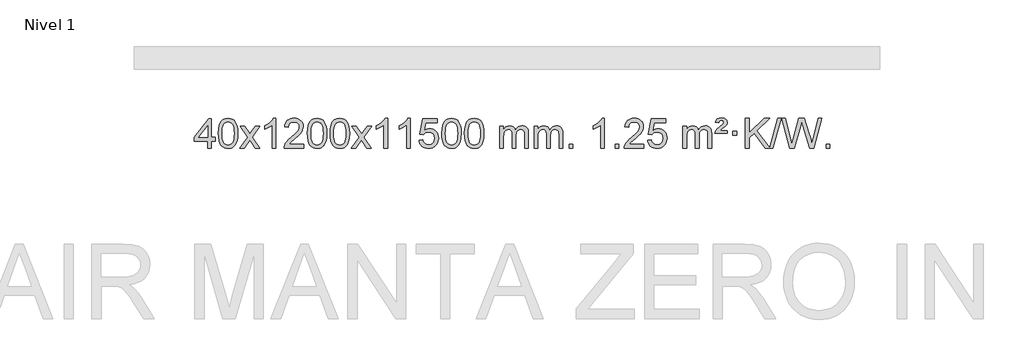
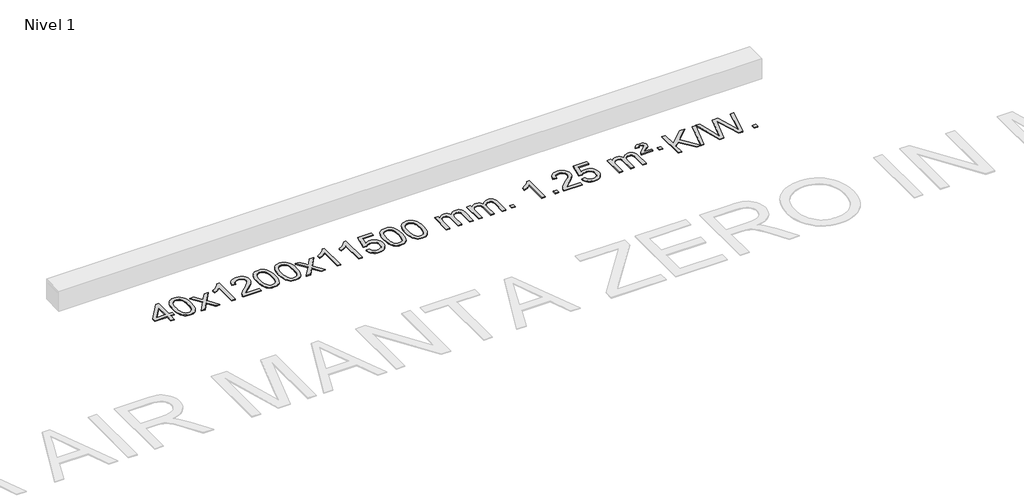
# One storey, part 2 of 3: 1 proxy.
"""IFC4 building model written with IfcOpenShell, lengths in millimetres."""

from ifc_helpers import new_model, si_unit, origin, origin_with_axes, place, context, project, spatial, polyline, outline, extrude, element, save

model = new_model("IFC4")

# Units and contexts
model_context = context("Model", 3, world=origin())
ifc_project = project(units=[si_unit("LENGTHUNIT", "METRE", prefix="MILLI")], contexts=[model_context])

# Site, building, storey
site = spatial("IfcSite", under=ifc_project)
building = spatial("IfcBuilding", under=site)
storey = spatial("IfcBuildingStorey", under=building, Name="Nivel 1", Elevation=0.0)

# Proxy
placement = place(None, origin())
element("IfcBuildingElementProxy", 1, Name="Texto de modelo 1", ObjectType="Texto de modelo 1", at=placement, inside=storey, context=model_context, shape_type="SweptSolid", body=[
    extrude(outline(polyline([(-19001.7254597, -1016.3248037), (-19001.7254597, -922.1470129), (-19183.8025218, -922.1470129), (-19183.8025218, -871.9188579), (-18989.1684209, -620.7780825), (-18951.4973046, -620.7780825), (-18951.4973046, -871.9188579), (-18901.2691495, -871.9188579), (-18901.2691495, -922.1470129), (-18951.4973046, -922.1470129), (-18951.4973046, -1016.3248037), (-19001.7254597, -1016.3248037)]), holes=[polyline([(-19001.7254597, -871.9188579), (-19001.7254597, -716.7217068), (-19121.9983466, -871.9188579), (-19001.7254597, -871.9188579)])]), origin_with_axes(), (0.0, 0.0, 1.0), 10.0),
    extrude(outline(polyline([(-18857.3195138, -818.649545), (-18853.6284312, -754.3315095), (-18842.5551831, -703.0364966), (-18824.2101343, -663.9796914), (-18812.3520713, -648.7463112), (-18798.7036493, -636.3762791), (-18783.218883, -626.8052158), (-18765.8517871, -619.9687421), (-18725.4706068, -614.4995631), (-18694.5194682, -617.7369247), (-18666.8056913, -627.4490093), (-18643.6291256, -643.2556724), (-18626.2896209, -664.7767691), (-18613.1930218, -691.8283585), (-18602.7451732, -724.2264995), (-18595.9025681, -765.3679693), (-18593.6216997, -818.649545), (-18597.2759942, -882.5996984), (-18608.2388776, -933.772084), (-18626.4735619, -972.8656773), (-18638.3040337, -988.1450429), (-18651.9432587, -1000.5794543), (-18667.4464191, -1010.2148969), (-18684.8686972, -1017.0973559), (-18725.4706068, -1022.6033231), (-18753.1353328, -1020.2120901), (-18777.6607992, -1013.0383912), (-18799.0470058, -1001.0822264), (-18817.2939528, -984.3435956), (-18834.8051357, -954.0853015), (-18847.3131236, -916.3835283), (-18854.8179163, -871.2382762), (-18857.3195138, -818.649545)]), holes=[polyline([(-18807.0913588, -818.5514431), (-18805.6198308, -862.2159702), (-18801.2052468, -897.5602329), (-18793.8476069, -924.5842311), (-18783.5469111, -943.2879649), (-18771.0879742, -956.0136163), (-18757.2556112, -965.1033672), (-18742.049822, -970.5572178), (-18725.4706068, -972.375168), (-18708.8913915, -970.5510864), (-18693.6856024, -965.0788418), (-18679.8532394, -955.958434), (-18667.3943025, -943.1898631), (-18657.0936066, -924.4554724), (-18649.7359667, -897.4376056), (-18645.3213828, -862.1362625), (-18643.8498548, -818.5514431), (-18645.2723318, -776.0426785), (-18649.539763, -741.3207496), (-18656.6521482, -714.3856562), (-18666.6094875, -695.2373983), (-18678.859958, -681.8894132), (-18692.8517365, -672.3551382), (-18708.5848232, -666.6345732), (-18726.059218, -664.7277182), (-18742.5525941, -666.4077126), (-18757.5008658, -671.4476959), (-18770.9040332, -679.8476682), (-18782.7620962, -691.6076293), (-18793.4061486, -712.4542757), (-18801.0090431, -740.5604601), (-18805.5707799, -775.9261826), (-18807.0913588, -818.5514431)])]), origin_with_axes(), (0.0, 0.0, 1.0), 10.0),
    extrude(outline(polyline([(-18568.5076222, -1016.3248037), (-18461.1841814, -867.9947832), (-18562.2291028, -721.2343926), (-18501.7983537, -721.2343926), (-18453.0417266, -791.8677357), (-18430.2820938, -825.2223699), (-18410.5636189, -797.9500514), (-18355.0379631, -721.2343926), (-18294.607214, -721.2343926), (-18400.7534324, -867.9947832), (-18298.5312886, -1016.3248037), (-18358.9620377, -1016.3248037), (-18420.4719073, -927.1502081), (-18431.7536218, -910.8652984), (-18508.0768731, -1016.3248037), (-18568.5076222, -1016.3248037)])), origin_with_axes(), (0.0, 0.0, 1.0), 10.0),
    extrude(outline(polyline([(-18078.7831102, -1016.3248037), (-18129.0112653, -1016.3248037), (-18129.0112653, -703.1836494), (-18149.980539, -720.1430094), (-18176.59067, -737.0778439), (-18229.4675754, -762.4371761), (-18229.4675754, -714.9558732), (-18190.0183628, -693.4960902), (-18155.8421254, -667.9650797), (-18128.9009007, -640.8153885), (-18111.1567258, -614.4995631), (-18078.7831102, -614.4995631), (-18078.7831102, -1016.3248037)])), origin_with_axes(), (0.0, 0.0, 1.0), 10.0),
    extrude(outline(polyline([(-17702.0719471, -966.0966486), (-17702.0719471, -1016.3248037), (-17965.7697613, -1016.3248037), (-17964.6661153, -998.6419425), (-17960.3741587, -981.6948452), (-17947.9887982, -954.6309931), (-17929.8644785, -928.3764814), (-17903.646755, -900.8956963), (-17866.9811828, -870.1530243), (-17812.7799022, -822.0095338), (-17780.2591338, -786.4721331), (-17763.9987496, -757.6301847), (-17758.5786216, -729.5730512), (-17763.6921813, -704.4221855), (-17779.0328605, -683.5142254), (-17802.6140964, -669.424345), (-17832.4493262, -664.7277182), (-17863.7806095, -669.3139804), (-17888.1221348, -683.072767), (-17903.830696, -704.9249575), (-17909.2630868, -733.7914314), (-17959.4912419, -727.512912), (-17955.1716941, -701.5833627), (-17947.3143478, -678.9279632), (-17935.919203, -659.5467134), (-17920.9862597, -643.4396134), (-17902.8588744, -630.7783414), (-17881.8804036, -621.7345757), (-17858.0508474, -616.3083162), (-17831.3702057, -614.4995631), (-17804.4504407, -616.5106513), (-17780.4921258, -622.5439161), (-17759.4952609, -632.5993573), (-17741.4598461, -646.6769749), (-17726.9744925, -663.7344368), (-17716.6278114, -682.7294105), (-17710.4198027, -703.661896), (-17708.3504665, -726.5318934), (-17710.5822839, -750.5545876), (-17717.2777363, -774.160349), (-17729.1603247, -798.1707806), (-17746.9535505, -823.4074854), (-17775.3172524, -853.5370208), (-17818.9112688, -892.225944), (-17876.6932675, -940.5411127), (-17899.3547984, -966.0966486), (-17702.0719471, -966.0966486)])), origin_with_axes(), (0.0, 0.0, 1.0), 10.0),
    extrude(outline(polyline([(-17651.8437921, -818.649545), (-17648.1527094, -754.3315095), (-17637.0794613, -703.0364966), (-17618.7344125, -663.9796914), (-17606.8763495, -648.7463112), (-17593.2279275, -636.3762791), (-17577.7431612, -626.8052158), (-17560.3760653, -619.9687421), (-17519.994885, -614.4995631), (-17489.0437465, -617.7369247), (-17461.3299695, -627.4490093), (-17438.1534038, -643.2556724), (-17420.8138991, -664.7767691), (-17407.7173001, -691.8283585), (-17397.2694514, -724.2264995), (-17390.4268463, -765.3679693), (-17388.1459779, -818.649545), (-17391.8002724, -882.5996984), (-17402.7631558, -933.772084), (-17420.9978401, -972.8656773), (-17432.8283119, -988.1450429), (-17446.4675369, -1000.5794543), (-17461.9706973, -1010.2148969), (-17479.3929754, -1017.0973559), (-17519.994885, -1022.6033231), (-17547.659611, -1020.2120901), (-17572.1850774, -1013.0383912), (-17593.571284, -1001.0822264), (-17611.818231, -984.3435956), (-17629.3294139, -954.0853015), (-17641.8374018, -916.3835283), (-17649.3421945, -871.2382762), (-17651.8437921, -818.649545)]), holes=[polyline([(-17601.615637, -818.5514431), (-17600.144109, -862.2159702), (-17595.7295251, -897.5602329), (-17588.3718851, -924.5842311), (-17578.0711893, -943.2879649), (-17565.6122524, -956.0136163), (-17551.7798894, -965.1033672), (-17536.5741002, -970.5572178), (-17519.994885, -972.375168), (-17503.4156697, -970.5510864), (-17488.2098806, -965.0788418), (-17474.3775176, -955.958434), (-17461.9185807, -943.1898631), (-17451.6178848, -924.4554724), (-17444.2602449, -897.4376056), (-17439.845661, -862.1362625), (-17438.374133, -818.5514431), (-17439.79661, -776.0426785), (-17444.0640412, -741.3207496), (-17451.1764264, -714.3856562), (-17461.1337658, -695.2373983), (-17473.3842362, -681.8894132), (-17487.3760147, -672.3551382), (-17503.1091014, -666.6345732), (-17520.5834962, -664.7277182), (-17537.0768723, -666.4077126), (-17552.025144, -671.4476959), (-17565.4283114, -679.8476682), (-17577.2863744, -691.6076293), (-17587.9304268, -712.4542757), (-17595.5333213, -740.5604601), (-17600.0950581, -775.9261826), (-17601.615637, -818.5514431)])]), origin_with_axes(), (0.0, 0.0, 1.0), 10.0),
    extrude(outline(polyline([(-17344.1963422, -818.649545), (-17340.5052595, -754.3315095), (-17329.4320115, -703.0364966), (-17311.0869627, -663.9796914), (-17299.2288997, -648.7463112), (-17285.5804777, -636.3762791), (-17270.0957113, -626.8052158), (-17252.7286155, -619.9687421), (-17212.3474351, -614.4995631), (-17181.3962966, -617.7369247), (-17153.6825196, -627.4490093), (-17130.505954, -643.2556724), (-17113.1664492, -664.7767691), (-17100.0698502, -691.8283585), (-17089.6220016, -724.2264995), (-17082.7793964, -765.3679693), (-17080.4985281, -818.649545), (-17084.1528226, -882.5996984), (-17095.115706, -933.772084), (-17113.3503902, -972.8656773), (-17125.1808621, -988.1450429), (-17138.820087, -1000.5794543), (-17154.3232475, -1010.2148969), (-17171.7455256, -1017.0973559), (-17212.3474351, -1022.6033231), (-17240.0121612, -1020.2120901), (-17264.5376275, -1013.0383912), (-17285.9238342, -1001.0822264), (-17304.1707811, -984.3435956), (-17321.6819641, -954.0853015), (-17334.1899519, -916.3835283), (-17341.6947446, -871.2382762), (-17344.1963422, -818.649545)]), holes=[polyline([(-17293.9681871, -818.5514431), (-17292.4966592, -862.2159702), (-17288.0820752, -897.5602329), (-17280.7244353, -924.5842311), (-17270.4237395, -943.2879649), (-17257.9648025, -956.0136163), (-17244.1324395, -965.1033672), (-17228.9266504, -970.5572178), (-17212.3474351, -972.375168), (-17195.7682199, -970.5510864), (-17180.5624308, -965.0788418), (-17166.7300677, -955.958434), (-17154.2711308, -943.1898631), (-17143.970435, -924.4554724), (-17136.6127951, -897.4376056), (-17132.1982111, -862.1362625), (-17130.7266831, -818.5514431), (-17132.1491602, -776.0426785), (-17136.4165913, -741.3207496), (-17143.5289766, -714.3856562), (-17153.4863159, -695.2373983), (-17165.7367864, -681.8894132), (-17179.7285649, -672.3551382), (-17195.4616516, -666.6345732), (-17212.9360463, -664.7277182), (-17229.4294225, -666.4077126), (-17244.3776942, -671.4476959), (-17257.7808616, -679.8476682), (-17269.6389245, -691.6076293), (-17280.2829769, -712.4542757), (-17287.8858715, -740.5604601), (-17292.4476082, -775.9261826), (-17293.9681871, -818.5514431)])]), origin_with_axes(), (0.0, 0.0, 1.0), 10.0),
    extrude(outline(polyline([(-17055.3844505, -1016.3248037), (-16948.0610098, -867.9947832), (-17049.1059312, -721.2343926), (-16988.6751821, -721.2343926), (-16939.918555, -791.8677357), (-16917.1589222, -825.2223699), (-16897.4404473, -797.9500514), (-16841.9147915, -721.2343926), (-16781.4840424, -721.2343926), (-16887.6302607, -867.9947832), (-16785.408117, -1016.3248037), (-16845.8388661, -1016.3248037), (-16907.3487357, -927.1502081), (-16918.6304502, -910.8652984), (-16994.9537015, -1016.3248037), (-17055.3844505, -1016.3248037)])), origin_with_axes(), (0.0, 0.0, 1.0), 10.0),
    extrude(outline(polyline([(-16565.6599386, -1016.3248037), (-16615.8880936, -1016.3248037), (-16615.8880936, -703.1836494), (-16636.8573674, -720.1430094), (-16663.4674983, -737.0778439), (-16716.3444038, -762.4371761), (-16716.3444038, -714.9558732), (-16676.8951912, -693.4960902), (-16642.7189538, -667.9650797), (-16615.777729, -640.8153885), (-16598.0335541, -614.4995631), (-16565.6599386, -614.4995631), (-16565.6599386, -1016.3248037)])), origin_with_axes(), (0.0, 0.0, 1.0), 10.0),
    extrude(outline(polyline([(-16258.0124887, -1016.3248037), (-16308.2406438, -1016.3248037), (-16308.2406438, -703.1836494), (-16329.2099175, -720.1430094), (-16355.8200485, -737.0778439), (-16408.6969539, -762.4371761), (-16408.6969539, -714.9558732), (-16369.2477413, -693.4960902), (-16335.071504, -667.9650797), (-16308.1302792, -640.8153885), (-16290.3861043, -614.4995631), (-16258.0124887, -614.4995631), (-16258.0124887, -1016.3248037)])), origin_with_axes(), (0.0, 0.0, 1.0), 10.0),
    extrude(outline(polyline([(-16138.7206204, -909.5899742), (-16088.4924653, -903.3114548), (-16079.27089, -933.4655156), (-16063.1821841, -955.0601888), (-16040.299924, -968.0464232), (-16010.6976861, -972.375168), (-15991.5678224, -970.8699175), (-15974.6943015, -966.354166), (-15960.0771236, -958.8279135), (-15947.7162885, -948.2911601), (-15937.8877079, -935.2650717), (-15930.8672931, -920.2708148), (-15925.2509614, -884.3777948), (-15930.5116739, -850.5817021), (-15937.0875645, -836.6635), (-15946.2938115, -824.7318606), (-15958.1610715, -815.1607974), (-15972.7200015, -808.3243236), (-16009.9128712, -802.8551446), (-16034.278922, -805.0379111), (-16054.0096597, -811.5862106), (-16069.7672718, -821.6171264), (-16082.213946, -834.2477415), (-16132.442101, -827.9692222), (-16088.4924653, -620.7780825), (-15893.8583644, -620.7780825), (-15893.8583644, -671.0062376), (-16047.8782931, -671.0062376), (-16069.3626016, -781.6651417), (-16051.6368208, -768.9609501), (-16033.4818443, -759.8865276), (-16014.8976722, -754.4418741), (-15995.8843044, -752.6269896), (-15971.4232174, -754.8772011), (-15948.9548246, -761.6278357), (-15928.4791259, -772.8788934), (-15909.9961213, -788.6303741), (-15894.695296, -807.9196534), (-15883.766135, -829.7841067), (-15877.2086385, -854.2237339), (-15875.0228063, -881.2385351), (-15876.990975, -907.2600549), (-15882.895481, -931.4666901), (-15892.7363243, -953.8584409), (-15906.5135051, -974.4353072), (-15927.3846769, -995.5088141), (-15951.738465, -1010.5613191), (-15979.5748693, -1019.5928221), (-16010.8938898, -1022.6033231), (-16036.8142421, -1020.6688769), (-16060.2268654, -1014.8655384), (-16081.1317598, -1005.1933077), (-16099.5289252, -991.6521846), (-16114.8358819, -974.9166195), (-16126.47015, -955.6610627), (-16134.4317295, -933.8855143), (-16138.7206204, -909.5899742)])), origin_with_axes(), (0.0, 0.0, 1.0), 10.0),
    extrude(outline(polyline([(-15831.0731706, -818.649545), (-15827.3820879, -754.3315095), (-15816.3088398, -703.0364966), (-15797.963791, -663.9796914), (-15786.105728, -648.7463112), (-15772.457306, -636.3762791), (-15756.9725397, -626.8052158), (-15739.6054439, -619.9687421), (-15699.2242635, -614.4995631), (-15668.273125, -617.7369247), (-15640.559348, -627.4490093), (-15617.3827823, -643.2556724), (-15600.0432776, -664.7767691), (-15586.9466786, -691.8283585), (-15576.4988299, -724.2264995), (-15569.6562248, -765.3679693), (-15567.3753564, -818.649545), (-15571.0296509, -882.5996984), (-15581.9925344, -933.772084), (-15600.2272186, -972.8656773), (-15612.0576904, -988.1450429), (-15625.6969154, -1000.5794543), (-15641.2000758, -1010.2148969), (-15658.622354, -1017.0973559), (-15699.2242635, -1022.6033231), (-15726.8889896, -1020.2120901), (-15751.4144559, -1013.0383912), (-15772.8006626, -1001.0822264), (-15791.0476095, -984.3435956), (-15808.5587925, -954.0853015), (-15821.0667803, -916.3835283), (-15828.571573, -871.2382762), (-15831.0731706, -818.649545)]), holes=[polyline([(-15780.8450155, -818.5514431), (-15779.3734875, -862.2159702), (-15774.9589036, -897.5602329), (-15767.6012637, -924.5842311), (-15757.3005678, -943.2879649), (-15744.8416309, -956.0136163), (-15731.0092679, -965.1033672), (-15715.8034788, -970.5572178), (-15699.2242635, -972.375168), (-15682.6450483, -970.5510864), (-15667.4392591, -965.0788418), (-15653.6068961, -955.958434), (-15641.1479592, -943.1898631), (-15630.8472633, -924.4554724), (-15623.4896234, -897.4376056), (-15619.0750395, -862.1362625), (-15617.6035115, -818.5514431), (-15619.0259886, -776.0426785), (-15623.2934197, -741.3207496), (-15630.405805, -714.3856562), (-15640.3631443, -695.2373983), (-15652.6136147, -681.8894132), (-15666.6053933, -672.3551382), (-15682.3384799, -666.6345732), (-15699.8128747, -664.7277182), (-15716.3062508, -666.4077126), (-15731.2545226, -671.4476959), (-15744.6576899, -679.8476682), (-15756.5157529, -691.6076293), (-15767.1598053, -712.4542757), (-15774.7626999, -740.5604601), (-15779.3244366, -775.9261826), (-15780.8450155, -818.5514431)])]), origin_with_axes(), (0.0, 0.0, 1.0), 10.0),
    extrude(outline(polyline([(-15523.4257208, -818.649545), (-15519.7346381, -754.3315095), (-15508.66139, -703.0364966), (-15490.3163412, -663.9796914), (-15478.4582782, -648.7463112), (-15464.8098562, -636.3762791), (-15449.3250899, -626.8052158), (-15431.957994, -619.9687421), (-15391.5768137, -614.4995631), (-15360.6256752, -617.7369247), (-15332.9118982, -627.4490093), (-15309.7353325, -643.2556724), (-15292.3958278, -664.7767691), (-15279.2992288, -691.8283585), (-15268.8513801, -724.2264995), (-15262.008775, -765.3679693), (-15259.7279066, -818.649545), (-15263.3822011, -882.5996984), (-15274.3450846, -933.772084), (-15292.5797688, -972.8656773), (-15304.4102406, -988.1450429), (-15318.0494656, -1000.5794543), (-15333.552626, -1010.2148969), (-15350.9749041, -1017.0973559), (-15391.5768137, -1022.6033231), (-15419.2415397, -1020.2120901), (-15443.7670061, -1013.0383912), (-15465.1532127, -1001.0822264), (-15483.4001597, -984.3435956), (-15500.9113427, -954.0853015), (-15513.4193305, -916.3835283), (-15520.9241232, -871.2382762), (-15523.4257208, -818.649545)]), holes=[polyline([(-15473.1975657, -818.5514431), (-15471.7260377, -862.2159702), (-15467.3114538, -897.5602329), (-15459.9538139, -924.5842311), (-15449.653118, -943.2879649), (-15437.1941811, -956.0136163), (-15423.3618181, -965.1033672), (-15408.1560289, -970.5572178), (-15391.5768137, -972.375168), (-15374.9975984, -970.5510864), (-15359.7918093, -965.0788418), (-15345.9594463, -955.958434), (-15333.5005094, -943.1898631), (-15323.1998135, -924.4554724), (-15315.8421736, -897.4376056), (-15311.4275897, -862.1362625), (-15309.9560617, -818.5514431), (-15311.3785387, -776.0426785), (-15315.6459699, -741.3207496), (-15322.7583551, -714.3856562), (-15332.7156945, -695.2373983), (-15344.9661649, -681.8894132), (-15358.9579434, -672.3551382), (-15374.6910301, -666.6345732), (-15392.1654249, -664.7277182), (-15408.658801, -666.4077126), (-15423.6070727, -671.4476959), (-15437.0102401, -679.8476682), (-15448.8683031, -691.6076293), (-15459.5123555, -712.4542757), (-15467.11525, -740.5604601), (-15471.6769868, -775.9261826), (-15473.1975657, -818.5514431)])]), origin_with_axes(), (0.0, 0.0, 1.0), 10.0),
    extrude(outline(polyline([(-15046.2582475, -1016.3248037), (-15046.2582475, -721.2343926), (-14996.0300925, -721.2343926), (-14996.0300925, -769.794816), (-14980.9224052, -747.4889044), (-14961.4982359, -730.0145096), (-14938.419772, -718.7205323), (-14912.3492013, -714.9558732), (-14884.4146951, -718.7941087), (-14862.0229444, -730.3088152), (-14845.2965763, -748.7397031), (-14834.3582183, -773.3264831), (-14816.0499577, -747.7893413), (-14795.1665231, -729.5485257), (-14771.7079145, -718.6040364), (-14745.674132, -714.9558732), (-14725.5663153, -716.4733865), (-14707.9171766, -721.0259262), (-14692.7267159, -728.6134923), (-14679.9949331, -739.2360849), (-14669.9302949, -753.0163313), (-14662.7412676, -770.0768589), (-14658.4278512, -790.4176675), (-14656.9900457, -814.0387573), (-14656.9900457, -1016.3248037), (-14707.2182008, -1016.3248037), (-14707.2182008, -835.6211677), (-14708.3831604, -810.5684038), (-14711.8780394, -793.6826202), (-14718.4263389, -782.1188628), (-14728.7515602, -773.0321776), (-14742.0321003, -767.1460656), (-14757.4463559, -765.1840283), (-14784.6573608, -770.2117489), (-14806.8406451, -785.2949107), (-14815.4460181, -796.8647995), (-14821.5927131, -811.4635833), (-14826.5100691, -849.7478363), (-14826.5100691, -1016.3248037), (-14876.7382242, -1016.3248037), (-14876.7382242, -830.0293613), (-14879.6444919, -801.6288713), (-14888.3632952, -781.3708361), (-14903.7039744, -769.2307303), (-14926.4758699, -765.1840283), (-14945.8264629, -767.8818296), (-14963.6564769, -775.9752335), (-14978.3717567, -789.2680363), (-14988.378147, -807.5640342), (-14994.1171061, -832.9478918), (-14996.0300925, -867.5042739), (-14996.0300925, -1016.3248037), (-15046.2582475, -1016.3248037)])), origin_with_axes(), (0.0, 0.0, 1.0), 10.0),
    extrude(outline(polyline([(-14581.6478131, -1016.3248037), (-14581.6478131, -721.2343926), (-14531.419658, -721.2343926), (-14531.419658, -769.794816), (-14516.3119708, -747.4889044), (-14496.8878014, -730.0145096), (-14473.8093376, -718.7205323), (-14447.7387669, -714.9558732), (-14419.8042607, -718.7941087), (-14397.4125099, -730.3088152), (-14380.6861419, -748.7397031), (-14369.7477839, -773.3264831), (-14351.4395233, -747.7893413), (-14330.5560887, -729.5485257), (-14307.0974801, -718.6040364), (-14281.0636976, -714.9558732), (-14260.9558809, -716.4733865), (-14243.3067421, -721.0259262), (-14228.1162814, -728.6134923), (-14215.3844987, -739.2360849), (-14205.3198605, -753.0163313), (-14198.1308331, -770.0768589), (-14193.8174167, -790.4176675), (-14192.3796113, -814.0387573), (-14192.3796113, -1016.3248037), (-14242.6077663, -1016.3248037), (-14242.6077663, -835.6211677), (-14243.772726, -810.5684038), (-14247.267605, -793.6826202), (-14253.8159045, -782.1188628), (-14264.1411258, -773.0321776), (-14277.4216658, -767.1460656), (-14292.8359214, -765.1840283), (-14320.0469263, -770.2117489), (-14342.2302106, -785.2949107), (-14350.8355836, -796.8647995), (-14356.9822786, -811.4635833), (-14361.8996347, -849.7478363), (-14361.8996347, -1016.3248037), (-14412.1277897, -1016.3248037), (-14412.1277897, -830.0293613), (-14415.0340575, -801.6288713), (-14423.7528608, -781.3708361), (-14439.09354, -769.2307303), (-14461.8654355, -765.1840283), (-14481.2160284, -767.8818296), (-14499.0460425, -775.9752335), (-14513.7613223, -789.2680363), (-14523.7677125, -807.5640342), (-14529.5066717, -832.9478918), (-14531.419658, -867.5042739), (-14531.419658, -1016.3248037), (-14581.6478131, -1016.3248037)])), origin_with_axes(), (0.0, 0.0, 1.0), 10.0),
    extrude(outline(polyline([(-14104.4803399, -1016.3248037), (-14104.4803399, -966.0966486), (-14054.2521848, -966.0966486), (-14054.2521848, -1016.3248037), (-14104.4803399, -1016.3248037)])), origin_with_axes(), (0.0, 0.0, 1.0), 10.0),
    extrude(outline(polyline([(-13627.3128667, -1016.3248037), (-13677.5410218, -1016.3248037), (-13677.5410218, -703.1836494), (-13698.5102955, -720.1430094), (-13725.1204265, -737.0778439), (-13777.9973319, -762.4371761), (-13777.9973319, -714.9558732), (-13738.5481193, -693.4960902), (-13704.3718819, -667.9650797), (-13677.4306572, -640.8153885), (-13659.6864823, -614.4995631), (-13627.3128667, -614.4995631), (-13627.3128667, -1016.3248037)])), origin_with_axes(), (0.0, 0.0, 1.0), 10.0),
    extrude(outline(polyline([(-13482.9069208, -1016.3248037), (-13482.9069208, -966.0966486), (-13432.6787658, -966.0966486), (-13432.6787658, -1016.3248037), (-13482.9069208, -1016.3248037)])), origin_with_axes(), (0.0, 0.0, 1.0), 10.0),
    extrude(outline(polyline([(-13093.638719, -966.0966486), (-13093.638719, -1016.3248037), (-13357.3365332, -1016.3248037), (-13356.2328872, -998.6419425), (-13351.9409306, -981.6948452), (-13339.5555701, -954.6309931), (-13321.4312504, -928.3764814), (-13295.2135269, -900.8956963), (-13258.5479547, -870.1530243), (-13204.3466741, -822.0095338), (-13171.8259057, -786.4721331), (-13155.5655215, -757.6301847), (-13150.1453935, -729.5730512), (-13155.2589532, -704.4221855), (-13170.5996324, -683.5142254), (-13194.1808683, -669.424345), (-13224.0160981, -664.7277182), (-13255.3473814, -669.3139804), (-13279.6889067, -683.072767), (-13295.3974679, -704.9249575), (-13300.8298587, -733.7914314), (-13351.0580138, -727.512912), (-13346.738466, -701.5833627), (-13338.8811197, -678.9279632), (-13327.4859749, -659.5467134), (-13312.5530316, -643.4396134), (-13294.4256463, -630.7783414), (-13273.4471755, -621.7345757), (-13249.6176193, -616.3083162), (-13222.9369776, -614.4995631), (-13196.0172126, -616.5106513), (-13172.0588977, -622.5439161), (-13151.0620328, -632.5993573), (-13133.026618, -646.6769749), (-13118.5412644, -663.7344368), (-13108.1945833, -682.7294105), (-13101.9865746, -703.661896), (-13099.9172384, -726.5318934), (-13102.1490558, -750.5545876), (-13108.8445081, -774.160349), (-13120.7270966, -798.1707806), (-13138.5203224, -823.4074854), (-13166.8840243, -853.5370208), (-13210.4780407, -892.225944), (-13268.2600394, -940.5411127), (-13290.9215703, -966.0966486), (-13093.638719, -966.0966486)])), origin_with_axes(), (0.0, 0.0, 1.0), 10.0),
    extrude(outline(polyline([(-13043.4105639, -909.5899742), (-12993.1824089, -903.3114548), (-12983.9608335, -933.4655156), (-12967.8721276, -955.0601888), (-12944.9898675, -968.0464232), (-12915.3876296, -972.375168), (-12896.2577659, -970.8699175), (-12879.384245, -966.354166), (-12864.7670671, -958.8279135), (-12852.406232, -948.2911601), (-12842.5776514, -935.2650717), (-12835.5572367, -920.2708148), (-12829.9409049, -884.3777948), (-12835.2016174, -850.5817021), (-12841.7775081, -836.6635), (-12850.983755, -824.7318606), (-12862.851015, -815.1607974), (-12877.409945, -808.3243236), (-12914.6028147, -802.8551446), (-12938.9688655, -805.0379111), (-12958.6996032, -811.5862106), (-12974.4572153, -821.6171264), (-12986.9038895, -834.2477415), (-13037.1320446, -827.9692222), (-12993.1824089, -620.7780825), (-12798.5483079, -620.7780825), (-12798.5483079, -671.0062376), (-12952.5682366, -671.0062376), (-12974.0525451, -781.6651417), (-12956.3267643, -768.9609501), (-12938.1717878, -759.8865276), (-12919.5876157, -754.4418741), (-12900.5742479, -752.6269896), (-12876.1131609, -754.8772011), (-12853.6447681, -761.6278357), (-12833.1690694, -772.8788934), (-12814.6860648, -788.6303741), (-12799.3852395, -807.9196534), (-12788.4560785, -829.7841067), (-12781.898582, -854.2237339), (-12779.7127498, -881.2385351), (-12781.6809185, -907.2600549), (-12787.5854245, -931.4666901), (-12797.4262679, -953.8584409), (-12811.2034486, -974.4353072), (-12832.0746204, -995.5088141), (-12856.4284085, -1010.5613191), (-12884.2648128, -1019.5928221), (-12915.5838333, -1022.6033231), (-12941.5041856, -1020.6688769), (-12964.9168089, -1014.8655384), (-12985.8217033, -1005.1933077), (-13004.2188687, -991.6521846), (-13019.5258254, -974.9166195), (-13031.1600935, -955.6610627), (-13039.121673, -933.8855143), (-13043.4105639, -909.5899742)])), origin_with_axes(), (0.0, 0.0, 1.0), 10.0),
    extrude(outline(polyline([(-12566.2430907, -1016.3248037), (-12566.2430907, -721.2343926), (-12516.0149357, -721.2343926), (-12516.0149357, -769.794816), (-12500.9072484, -747.4889044), (-12481.483079, -730.0145096), (-12458.4046152, -718.7205323), (-12432.3340445, -714.9558732), (-12404.3995383, -718.7941087), (-12382.0077875, -730.3088152), (-12365.2814195, -748.7397031), (-12354.3430615, -773.3264831), (-12336.0348009, -747.7893413), (-12315.1513663, -729.5485257), (-12291.6927577, -718.6040364), (-12265.6589752, -714.9558732), (-12245.5511585, -716.4733865), (-12227.9020198, -721.0259262), (-12212.711559, -728.6134923), (-12199.9797763, -739.2360849), (-12189.9151381, -753.0163313), (-12182.7261108, -770.0768589), (-12178.4126944, -790.4176675), (-12176.9748889, -814.0387573), (-12176.9748889, -1016.3248037), (-12227.203044, -1016.3248037), (-12227.203044, -835.6211677), (-12228.3680036, -810.5684038), (-12231.8628826, -793.6826202), (-12238.4111821, -782.1188628), (-12248.7364034, -773.0321776), (-12262.0169434, -767.1460656), (-12277.431199, -765.1840283), (-12304.642204, -770.2117489), (-12326.8254883, -785.2949107), (-12335.4308613, -796.8647995), (-12341.5775563, -811.4635833), (-12346.4949123, -849.7478363), (-12346.4949123, -1016.3248037), (-12396.7230673, -1016.3248037), (-12396.7230673, -830.0293613), (-12399.6293351, -801.6288713), (-12408.3481384, -781.3708361), (-12423.6888176, -769.2307303), (-12446.4607131, -765.1840283), (-12465.811306, -767.8818296), (-12483.6413201, -775.9752335), (-12498.3565999, -789.2680363), (-12508.3629902, -807.5640342), (-12514.1019493, -832.9478918), (-12516.0149357, -867.5042739), (-12516.0149357, -1016.3248037), (-12566.2430907, -1016.3248037)])), origin_with_axes(), (0.0, 0.0, 1.0), 10.0),
    extrude(outline(polyline([(-12133.0252532, -815.4121834), (-12129.1992805, -799.5932576), (-12120.8606219, -783.7252809), (-12099.3517879, -758.5866779), (-12067.3951053, -730.8483754), (-12023.2492658, -693.4715647), (-12016.1123551, -681.9445955), (-12013.7333849, -670.1233208), (-12015.6218458, -658.0322659), (-12021.2872285, -648.2466048), (-12030.6559567, -641.7718817), (-12043.6544538, -639.6136406), (-12056.0888653, -641.2323214), (-12064.9425586, -646.0883637), (-12071.3682308, -655.5551938), (-12076.5185787, -671.0062376), (-12126.7467338, -664.7277182), (-12115.9064777, -639.5155388), (-12099.2782115, -621.9553049), (-12075.5130346, -611.654609), (-12043.2620464, -608.2210437), (-12007.479391, -612.3535848), (-11982.7331954, -624.751208), (-11968.3122212, -643.0839941), (-11963.5052298, -665.0220238), (-11967.6009827, -687.9288093), (-11979.8882413, -709.5602706), (-12000.4160567, -729.3768475), (-12036.8854251, -757.433981), (-12062.490012, -784.0195865), (-11963.5052298, -784.0195865), (-11963.5052298, -815.4121834), (-12133.0252532, -815.4121834)])), origin_with_axes(), (0.0, 0.0, 1.0), 10.0),
    extrude(outline(polyline([(-11888.1629972, -840.5262609), (-11888.1629972, -790.2981059), (-11837.9348421, -790.2981059), (-11837.9348421, -840.5262609), (-11888.1629972, -840.5262609)])), origin_with_axes(), (0.0, 0.0, 1.0), 10.0),
    extrude(outline(polyline([(-11447.2932142, -1016.3248037), (-11600.7245317, -813.6463498), (-11668.4148188, -878.1973772), (-11668.4148188, -1016.3248037), (-11718.6429738, -1016.3248037), (-11718.6429738, -614.4995631), (-11668.4148188, -614.4995631), (-11668.4148188, -811.1938032), (-11462.4009015, -614.4995631), (-11392.1599659, -614.4995631), (-11565.1135545, -779.7031044), (-11390.4599447, -1010.2802839), (-11279.1466169, -614.4995631), (-11233.8235551, -614.4995631), (-11346.836904, -1016.3248037), (-11385.8814465, -1016.3248037), (-11392.1599659, -1016.3248037), (-11447.2932142, -1016.3248037)])), origin_with_axes(), (0.0, 0.0, 1.0), 10.0),
    extrude(outline(polyline([(-11119.3386782, -1016.3248037), (-11228.9184619, -614.4995631), (-11177.1206769, -614.4995631), (-11113.5506682, -878.5897847), (-11093.9302951, -960.1124348), (-11072.9364959, -888.0075638), (-10993.2777812, -614.4995631), (-10918.6222617, -614.4995631), (-10860.7421611, -812.763433), (-10835.9469146, -886.3398321), (-10817.6754422, -960.1124348), (-10798.6436803, -880.9442295), (-10734.4850603, -614.4995631), (-10682.6872754, -614.4995631), (-10792.3651609, -1016.3248037), (-10846.0268813, -1016.3248037), (-10942.3629131, -706.3229091), (-10955.8028686, -663.0599865), (-10970.9105559, -715.152077), (-11058.7117254, -1016.3248037), (-11119.3386782, -1016.3248037)])), origin_with_axes(), (0.0, 0.0, 1.0), 10.0),
    extrude(outline(polyline([(-10626.180601, -1016.3248037), (-10626.180601, -966.0966486), (-10575.9524459, -966.0966486), (-10575.9524459, -1016.3248037), (-10626.180601, -1016.3248037)])), origin_with_axes(), (0.0, 0.0, 1.0), 10.0),
])

save(model, "model.ifc")
